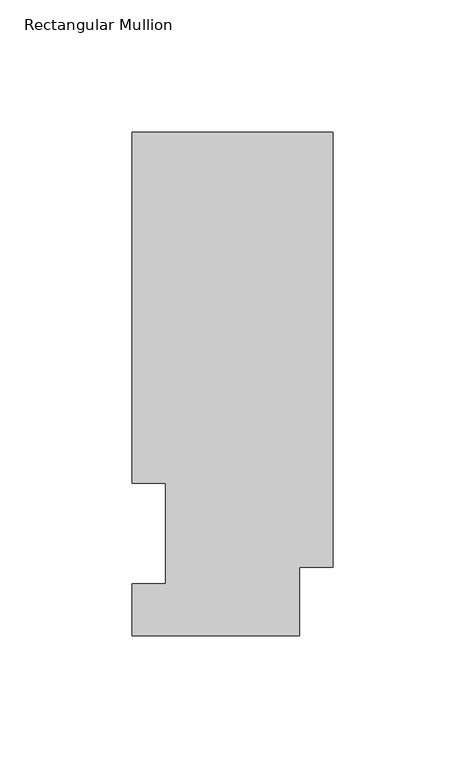
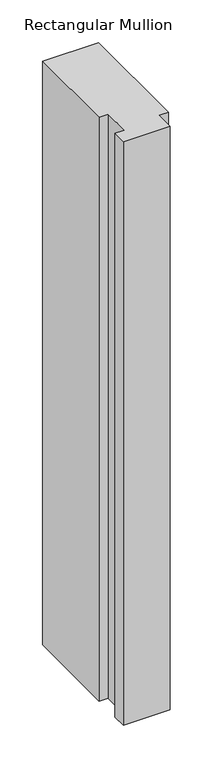
"""IFC4 building model written with IfcOpenShell, lengths in millimetres: member geometry, Rectangular Mullion."""

from ifc_helpers import new_model, si_unit, frame, origin, place, context, project, spatial, polyline, outline, extrude, source, transform, mapped, element, save


def rectangular_mullion_2e7be160(model_context):
    return source(origin(), model_context, "Body", "SweptSolid", [
        extrude(outline(polyline([(0.0, 190.5896937), (0.0, 25.8960938), (-12.7, 25.8960938), (-12.7, 0.0134937), (-76.2, 0.0134937), (-76.2, 19.5460938), (-63.5, 19.5460938), (-63.5, 57.6460937), (-76.2, 57.6460937), (-76.2, 190.5896937), (0.0, 190.5896937)])), frame((0.0, 0.0, -838.2), z_axis=(0.0, 0.0, 1.0), x_axis=(1.0, 0.0, 0.0)), (0.0, 0.0, 1.0), 838.2),
    ])


if __name__ == "__main__":
    model = new_model("IFC4")
    model_context = context("Model", 3, world=origin())
    ifc_project = project(units=[si_unit("LENGTHUNIT", "METRE", prefix="MILLI")], contexts=[model_context])
    site = spatial("IfcSite", under=ifc_project)
    building = spatial("IfcBuilding", under=site)
    placement = place(None, origin())
    rectangular_mullion_shape = rectangular_mullion_2e7be160(model_context)
    element("IfcMember", 1, ObjectType="Rectangular Mullion", at=placement, inside=building, context=model_context, shape_type="MappedRepresentation", body=[
        mapped(rectangular_mullion_shape, transform((0.0, 0.0, 0.0), x_axis=(1.0, 0.0, 0.0), y_axis=(0.0, 1.0, 0.0), z_axis=(0.0, 0.0, 1.0))),
    ])
    save(model, "model.ifc")
